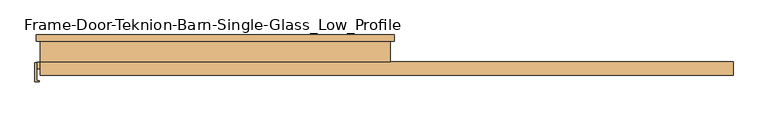
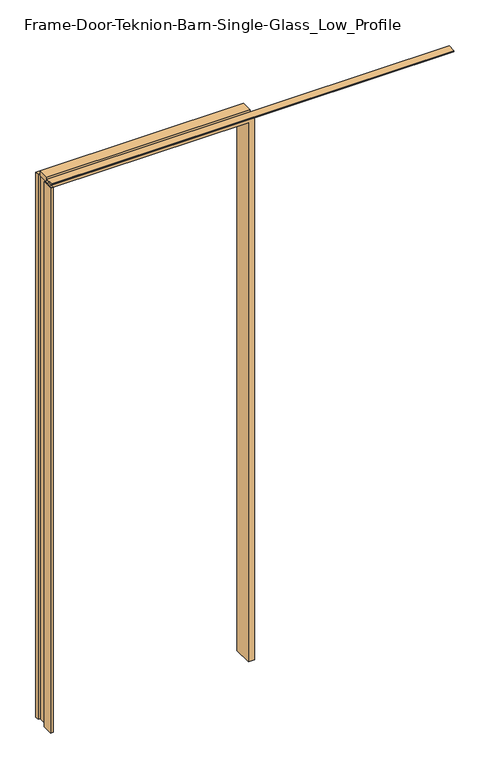
"""IFC4 building model written with IfcOpenShell, lengths in millimetres: door geometry, Frame-Door-Teknion-Barn-Single-Glass_Low_Profile."""

from ifc_helpers import new_model, si_unit, point, frame, frame_2d, origin, origin_with_axes, place, context, project, spatial, polyline, circle_curve, trimmed, segment, composite_curve, outline, extrude, faceted_brep, source, transform, mapped, element, save


def frame_door_teknion_barn_single_glass_low_profile_f298f074(model_context):
    return source(origin(), model_context, "Body", "SolidModel", [
        extrude(outline(polyline([(-534.933396, -32.3583761), (-530.2018277, -32.3583761), (-530.2018277, -86.5235242), (-521.4755703, -86.5235242), (-521.4755703, -88.3672512), (-534.933396, -88.3672512), (-534.933396, -32.3583761)])), origin_with_axes(), (0.0, 0.0, 1.0), 2941.1139997),
        faceted_brep([(-497.9129658, 50.0254003, 0.0), (-497.9129658, -50.0254003, 0.0), (-530.2097562, -50.0254003, 0.0), (-530.2097562, -31.6863997, 0.0), (-518.4749562, -31.6863997, 0.0), (-518.4749562, 30.7214003, 0.0), (-530.2351562, 30.7214003, 0.0), (-530.2351562, 50.0254003, 0.0), (-497.9129658, 50.0254003, 2908.8172092), (-497.9129658, -50.0254003, 2908.8172092), (497.9129658, -50.0254003, 2908.8172092), (497.9129658, -50.0254003, 0.0), (530.2097562, -50.0254003, 0.0), (530.2097562, -50.0254003, 2941.1139997), (-530.2097562, -50.0254003, 2941.1139997), (-530.2097562, -31.6863997, 2941.1139997), (530.2097562, -31.6863997, 2941.1139997), (530.2097562, -31.6863997, 0.0), (518.4749562, -31.6863997, 0.0), (518.4749562, -31.6863997, 2929.3791997), (-518.4749562, -31.6863997, 2929.3791997), (-518.4749562, 30.7214003, 2929.3791997), (518.4749562, 30.7214003, 2929.3791997), (518.4749562, 30.7214003, 0.0), (530.2351562, 30.7214003, 0.0), (530.2351562, 30.7214003, 2941.1393997), (-530.2351562, 30.7214003, 2941.1393997), (-530.2351562, 50.0254003, 2941.1393997), (530.2351562, 50.0254003, 2941.1393997), (530.2351562, 50.0254003, 0.0), (497.9129658, 50.0254003, 0.0), (497.9129658, 50.0254003, 2908.8172092)], [[[0, 1, 2, 3, 4, 5, 6, 7]], [[1, 0, 8, 9]], [[2, 1, 9, 10, 11, 12, 13, 14]], [[3, 2, 14, 15]], [[4, 3, 15, 16, 17, 18, 19, 20]], [[5, 4, 20, 21]], [[6, 5, 21, 22, 23, 24, 25, 26]], [[7, 6, 26, 27]], [[0, 7, 27, 28, 29, 30, 31, 8]], [[10, 31, 30, 11]], [[30, 29, 24, 23, 18, 17, 12, 11]], [[16, 13, 12, 17]], [[22, 19, 18, 23]], [[28, 25, 24, 29]], [[9, 8, 31, 10]], [[15, 14, 13, 16]], [[21, 20, 19, 22]], [[27, 26, 25, 28]]]),
        extrude(outline(composite_curve([segment(polyline([(-69.8995142, 2947.035), (-29.2073222, 2947.035), (-29.2073222, 2941.955), (-57.9118332, 2941.955), (-57.9118332, 2936.6616454), (-63.6429986, 2936.6616454)]), True, "CONTINUOUS"), segment(trimmed(circle_curve(frame_2d((-63.6429986, 2942.918161)), 6.2565156), [point((-63.6429986, 2936.6616454))], [point((-69.8995142, 2942.918161))], False, "CARTESIAN"), True, "CONTINUOUS"), segment(polyline([(-69.8995142, 2942.918161), (-69.8995142, 2947.035)]), True, "CONTINUOUS")], self_intersect=False)), frame((-519.4101562, 0.0, 0.0), z_axis=(1.0, 0.0, 0.0), x_axis=(0.0, 1.0, 0.0)), (0.0, 0.0, 1.0), 2054.8203125),
        extrude(outline(polyline([(-519.4101562, -29.2199219), (-519.4101562, 29.2199219), (519.4101563, 29.2199219), (519.4101563, -29.2199219), (-519.4101562, -29.2199219)])), frame((0.0, 0.0, 2930.5051563), z_axis=(0.0, 0.0, 1.0), x_axis=(1.0, 0.0, 0.0)), (0.0, 0.0, 1.0), 27.9796875),
    ])


if __name__ == "__main__":
    model = new_model("IFC4")
    model_context = context("Model", 3, world=origin())
    ifc_project = project(units=[si_unit("LENGTHUNIT", "METRE", prefix="MILLI")], contexts=[model_context])
    site = spatial("IfcSite", under=ifc_project)
    building = spatial("IfcBuilding", under=site)
    placement = place(None, origin())
    frame_door_teknion_barn_single_glass_low_profile_shape = frame_door_teknion_barn_single_glass_low_profile_f298f074(model_context)
    element("IfcDoor", 1, ObjectType="Frame-Door-Teknion-Barn-Single-Glass_Low_Profile", at=placement, inside=building, context=model_context, shape_type="MappedRepresentation", body=[
        mapped(frame_door_teknion_barn_single_glass_low_profile_shape, transform((0.0, 0.0, 0.0), x_axis=(1.0, 0.0, 0.0), y_axis=(0.0, 1.0, 0.0), z_axis=(0.0, 0.0, 1.0))),
    ])
    save(model, "model.ifc")
